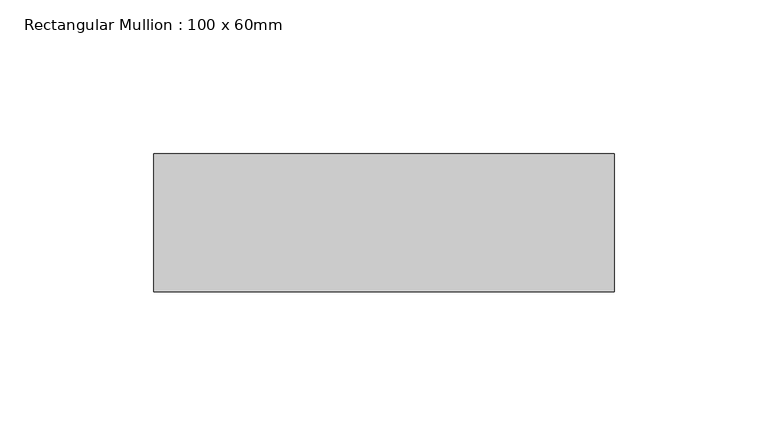
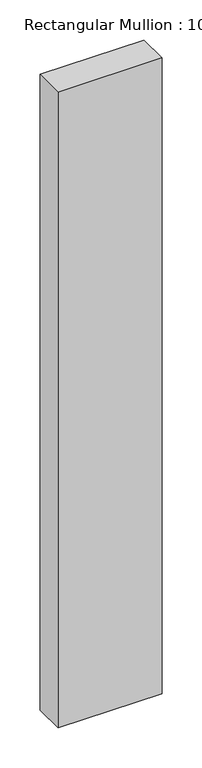
"""IFC4 building model written with IfcOpenShell, lengths in millimetres: member geometry, Rectangular Mullion : 100 x 60mm."""

from ifc_helpers import new_model, si_unit, frame, origin, place, context, project, spatial, polyline, outline, extrude, source, transform, mapped, element, save


def rectangular_mullion_100_x_60mm_8904558e(model_context):
    return source(origin(), model_context, "Body", "SweptSolid", [
        extrude(outline(polyline([(-150.0, 30.0), (0.0, 30.0), (0.0, -15.0), (-150.0, -15.0), (-150.0, 30.0)])), frame((0.0, 0.0, -969.325666), z_axis=(0.0, 0.0, 1.0), x_axis=(1.0, 0.0, 0.0)), (0.0, 0.0, 1.0), 969.325666),
    ])


if __name__ == "__main__":
    model = new_model("IFC4")
    model_context = context("Model", 3, world=origin())
    ifc_project = project(units=[si_unit("LENGTHUNIT", "METRE", prefix="MILLI")], contexts=[model_context])
    site = spatial("IfcSite", under=ifc_project)
    building = spatial("IfcBuilding", under=site)
    placement = place(None, origin())
    rectangular_mullion_100_x_60mm_shape = rectangular_mullion_100_x_60mm_8904558e(model_context)
    element("IfcMember", 1, ObjectType="Rectangular Mullion : 100 x 60mm", at=placement, inside=building, context=model_context, shape_type="MappedRepresentation", body=[
        mapped(rectangular_mullion_100_x_60mm_shape, transform((0.0, 0.0, 0.0), x_axis=(1.0, 0.0, 0.0), y_axis=(0.0, 1.0, 0.0), z_axis=(0.0, 0.0, 1.0))),
    ])
    save(model, "model.ifc")
